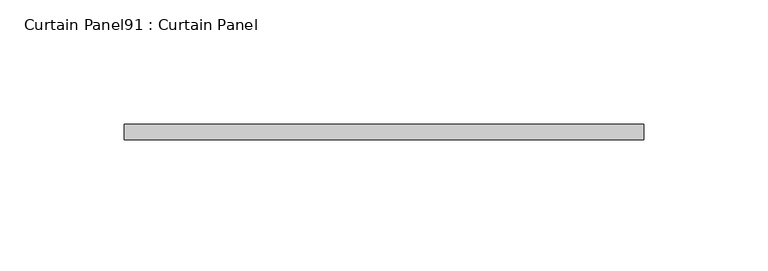
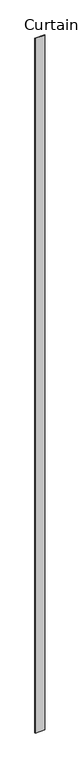
"""IFC4 building model written with IfcOpenShell, lengths in millimetres: plate geometry, Curtain Panel91 : Curtain Panel."""

from ifc_helpers import new_model, si_unit, frame, origin, place, context, project, spatial, polyline, outline, extrude, source, transform, mapped, element, save


def curtain_panel91_curtain_panel_0bceefa5(model_context):
    return source(origin(), model_context, "Body", "SweptSolid", [
        extrude(outline(polyline([(176003.6474215, 7961.9084949), (175794.1950674, 7961.9084949), (175794.1950674, 7968.2584949), (176003.6474215, 7968.2584949), (176003.6474215, 7961.9084949)])), frame((0.0, 0.0, 1433.7679301), z_axis=(0.0, 0.0, 1.0), x_axis=(1.0, 0.0, 0.0)), (0.0, 0.0, 1.0), 15786.2064664),
    ])


if __name__ == "__main__":
    model = new_model("IFC4")
    model_context = context("Model", 3, world=origin())
    ifc_project = project(units=[si_unit("LENGTHUNIT", "METRE", prefix="MILLI")], contexts=[model_context])
    site = spatial("IfcSite", under=ifc_project)
    building = spatial("IfcBuilding", under=site)
    placement = place(None, origin())
    curtain_panel91_curtain_panel_shape = curtain_panel91_curtain_panel_0bceefa5(model_context)
    element("IfcPlate", 1, ObjectType="Curtain Panel91 : Curtain Panel", at=placement, inside=building, context=model_context, shape_type="MappedRepresentation", body=[
        mapped(curtain_panel91_curtain_panel_shape, transform((0.0, 0.0, 0.0), x_axis=(1.0, 0.0, 0.0), y_axis=(0.0, 1.0, 0.0), z_axis=(0.0, 0.0, 1.0))),
    ])
    save(model, "model.ifc")
